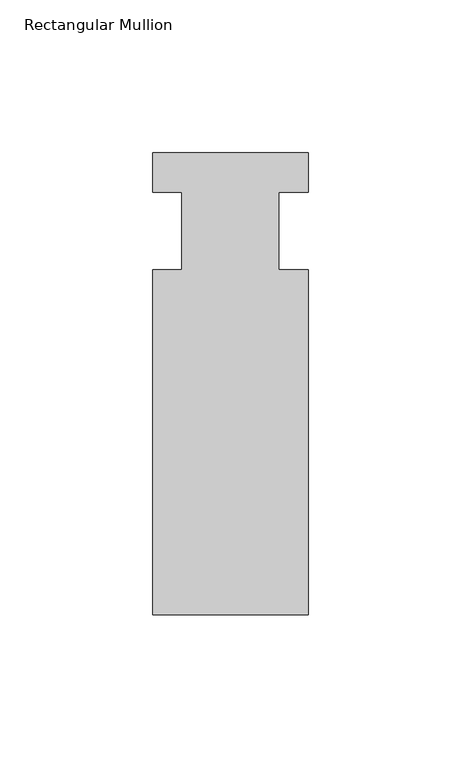
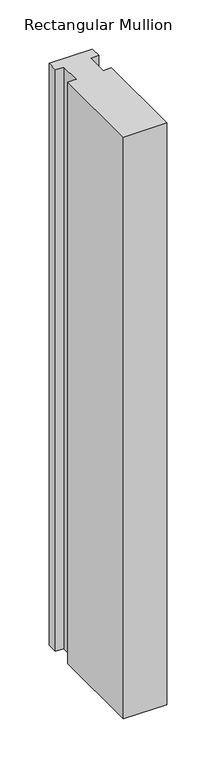
"""IFC4 building model written with IfcOpenShell, lengths in millimetres: member geometry, Rectangular Mullion."""

from ifc_helpers import new_model, si_unit, frame, origin, place, context, project, spatial, polyline, outline, extrude, source, transform, mapped, element, save


def rectangular_mullion_8bc6d4ad(model_context):
    return source(origin(), model_context, "Body", "SweptSolid", [
        extrude(outline(polyline([(-25.4, 25.5984375), (25.4, 25.5984375), (25.4, 12.7), (15.875, 12.7), (15.875, -12.7), (25.4, -12.7), (25.4, -125.6109375), (-25.4, -125.6109375), (-25.4, -12.7), (-15.875, -12.7), (-15.875, 12.7), (-25.4, 12.7), (-25.4, 25.5984375)])), frame((0.0, 0.0, -722.3178263), z_axis=(0.0, 0.0, 1.0), x_axis=(1.0, 0.0, 0.0)), (0.0, 0.0, 1.0), 722.3178263),
    ])


if __name__ == "__main__":
    model = new_model("IFC4")
    model_context = context("Model", 3, world=origin())
    ifc_project = project(units=[si_unit("LENGTHUNIT", "METRE", prefix="MILLI")], contexts=[model_context])
    site = spatial("IfcSite", under=ifc_project)
    building = spatial("IfcBuilding", under=site)
    placement = place(None, origin())
    rectangular_mullion_shape = rectangular_mullion_8bc6d4ad(model_context)
    element("IfcMember", 1, ObjectType="Rectangular Mullion", at=placement, inside=building, context=model_context, shape_type="MappedRepresentation", body=[
        mapped(rectangular_mullion_shape, transform((0.0, 0.0, 0.0), x_axis=(1.0, 0.0, 0.0), y_axis=(0.0, 1.0, 0.0), z_axis=(0.0, 0.0, 1.0))),
    ])
    save(model, "model.ifc")
